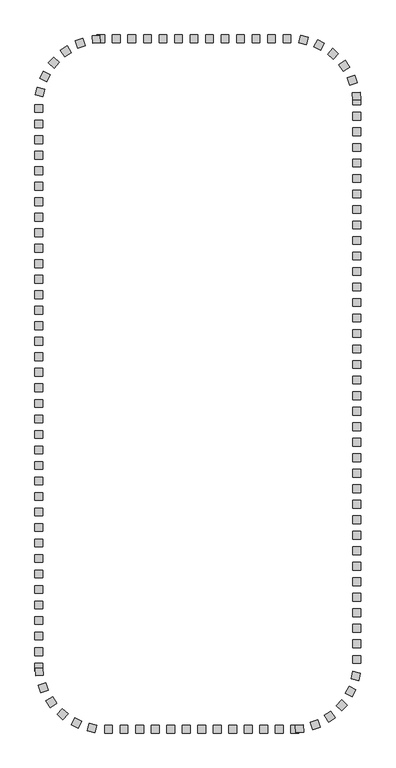
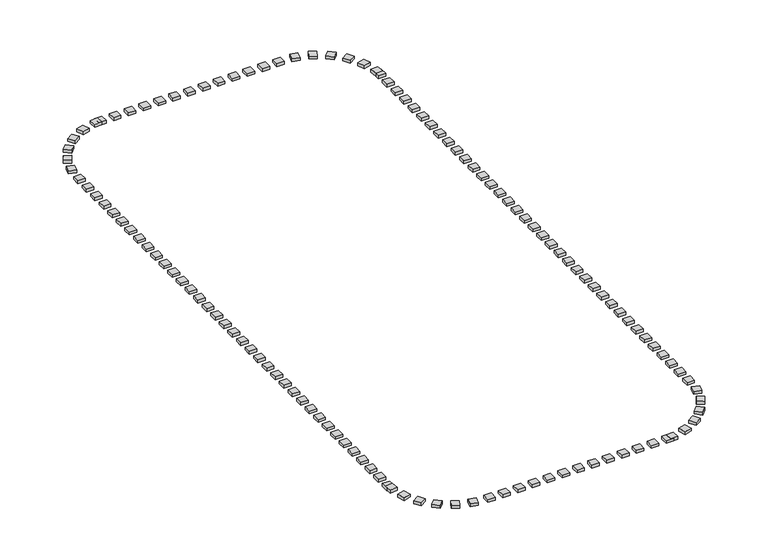
"""IFC4 building model written with IfcOpenShell, lengths in millimetres: railing geometry."""

from ifc_helpers import new_model, si_unit, origin, origin_with_axes, place, context, project, spatial, polyline, outline, extrude, source, transform, mapped, element, save


def railing_ace43579(model_context):
    return source(origin(), model_context, "Body", "SweptSolid", [
        extrude(outline(polyline([(13372.4823698, 2754.6603569), (13372.4823698, 2254.6603569), (12872.4823698, 2254.6603569), (12872.4823698, 2754.6603569), (13372.4823698, 2754.6603569)])), origin_with_axes(), (0.0, 0.0, 1.0), 200.0),
        extrude(outline(polyline([(12372.4823698, 2754.6603569), (12372.4823698, 2254.6603569), (11872.4823698, 2254.6603569), (11872.4823698, 2754.6603569), (12372.4823698, 2754.6603569)])), origin_with_axes(), (0.0, 0.0, 1.0), 200.0),
        extrude(outline(polyline([(11372.4823698, 2754.6603569), (11372.4823698, 2254.6603569), (10872.4823698, 2254.6603569), (10872.4823698, 2754.6603569), (11372.4823698, 2754.6603569)])), origin_with_axes(), (0.0, 0.0, 1.0), 200.0),
        extrude(outline(polyline([(10372.4823698, 2754.6603569), (10372.4823698, 2254.6603569), (9872.4823698, 2254.6603569), (9872.4823698, 2754.6603569), (10372.4823698, 2754.6603569)])), origin_with_axes(), (0.0, 0.0, 1.0), 200.0),
        extrude(outline(polyline([(9372.4823698, 2754.6603569), (9372.4823698, 2254.6603569), (8872.4823698, 2254.6603569), (8872.4823698, 2754.6603569), (9372.4823698, 2754.6603569)])), origin_with_axes(), (0.0, 0.0, 1.0), 200.0),
        extrude(outline(polyline([(8372.4823698, 2754.6603569), (8372.4823698, 2254.6603569), (7872.4823698, 2254.6603569), (7872.4823698, 2754.6603569), (8372.4823698, 2754.6603569)])), origin_with_axes(), (0.0, 0.0, 1.0), 200.0),
        extrude(outline(polyline([(7372.4823698, 2754.6603569), (7372.4823698, 2254.6603569), (6872.4823698, 2254.6603569), (6872.4823698, 2754.6603569), (7372.4823698, 2754.6603569)])), origin_with_axes(), (0.0, 0.0, 1.0), 200.0),
        extrude(outline(polyline([(6372.4823698, 2754.6603569), (6372.4823698, 2254.6603569), (5872.4823698, 2254.6603569), (5872.4823698, 2754.6603569), (6372.4823698, 2754.6603569)])), origin_with_axes(), (0.0, 0.0, 1.0), 200.0),
        extrude(outline(polyline([(5372.4823698, 2754.6603569), (5372.4823698, 2254.6603569), (4872.4823698, 2254.6603569), (4872.4823698, 2754.6603569), (5372.4823698, 2754.6603569)])), origin_with_axes(), (0.0, 0.0, 1.0), 200.0),
        extrude(outline(polyline([(4372.4823698, 2754.6603569), (4372.4823698, 2254.6603569), (3872.4823698, 2254.6603569), (3872.4823698, 2754.6603569), (4372.4823698, 2754.6603569)])), origin_with_axes(), (0.0, 0.0, 1.0), 200.0),
        extrude(outline(polyline([(3372.4823698, 2754.6603569), (3372.4823698, 2254.6603569), (2872.4823698, 2254.6603569), (2872.4823698, 2754.6603569), (3372.4823698, 2754.6603569)])), origin_with_axes(), (0.0, 0.0, 1.0), 200.0),
        extrude(outline(polyline([(2054.1649623, 2743.3877966), (2089.5335632, 2244.6403033), (1590.7860699, 2209.2717025), (1555.417469, 2708.0191958), (2054.1649623, 2743.3877966)])), origin_with_axes(), (0.0, 0.0, 1.0), 200.0),
        extrude(outline(polyline([(953.5317391, 2525.091144), (1111.1929203, 2050.5988343), (636.7006106, 1892.9376531), (479.0394294, 2367.4299628), (953.5317391, 2525.091144)])), origin_with_axes(), (0.0, 0.0, 1.0), 200.0),
        extrude(outline(polyline([(-58.8780066, 2041.2797885), (211.2731464, 1620.5442961), (-209.462346, 1350.3931432), (-479.613499, 1771.1286356), (-58.8780066, 2041.2797885)])), origin_with_axes(), (0.0, 0.0, 1.0), 200.0),
        extrude(outline(polyline([(-920.1175401, 1322.034777), (-554.2731056, 981.215397), (-895.0924857, 615.3709625), (-1260.9369201, 956.1903425), (-920.1175401, 1322.034777)])), origin_with_axes(), (0.0, 0.0, 1.0), 200.0),
        extrude(outline(polyline([(-1576.6391587, 412.0752806), (-1137.8478777, 172.3625113), (-1377.560647, -266.4287697), (-1816.351928, -26.7160004), (-1576.6391587, 412.0752806)])), origin_with_axes(), (0.0, 0.0, 1.0), 200.0),
        extrude(outline(polyline([(-1987.6235278, -632.0218265), (-1503.167317, -755.7238061), (-1626.8692966, -1240.180017), (-2111.3255075, -1116.4780373), (-1987.6235278, -632.0218265)])), origin_with_axes(), (0.0, 0.0, 1.0), 200.0),
        extrude(outline(polyline([(-2127.5176302, -2745.3396431), (-1627.5176302, -2745.3396431), (-1627.5176302, -3245.3396431), (-2127.5176302, -3245.3396431), (-2127.5176302, -2745.3396431)])), origin_with_axes(), (0.0, 0.0, 1.0), 200.0),
        extrude(outline(polyline([(-2127.5176302, -3745.3396431), (-1627.5176302, -3745.3396431), (-1627.5176302, -4245.3396431), (-2127.5176302, -4245.3396431), (-2127.5176302, -3745.3396431)])), origin_with_axes(), (0.0, 0.0, 1.0), 200.0),
        extrude(outline(polyline([(-2127.5176302, -4745.3396431), (-1627.5176302, -4745.3396431), (-1627.5176302, -5245.3396431), (-2127.5176302, -5245.3396431), (-2127.5176302, -4745.3396431)])), origin_with_axes(), (0.0, 0.0, 1.0), 200.0),
        extrude(outline(polyline([(-2127.5176302, -5745.3396431), (-1627.5176302, -5745.3396431), (-1627.5176302, -6245.3396431), (-2127.5176302, -6245.3396431), (-2127.5176302, -5745.3396431)])), origin_with_axes(), (0.0, 0.0, 1.0), 200.0),
        extrude(outline(polyline([(-2127.5176302, -6745.3396431), (-1627.5176302, -6745.3396431), (-1627.5176302, -7245.3396431), (-2127.5176302, -7245.3396431), (-2127.5176302, -6745.3396431)])), origin_with_axes(), (0.0, 0.0, 1.0), 200.0),
        extrude(outline(polyline([(-2127.5176302, -7745.3396431), (-1627.5176302, -7745.3396431), (-1627.5176302, -8245.3396431), (-2127.5176302, -8245.3396431), (-2127.5176302, -7745.3396431)])), origin_with_axes(), (0.0, 0.0, 1.0), 200.0),
        extrude(outline(polyline([(-2127.5176302, -8745.3396431), (-1627.5176302, -8745.3396431), (-1627.5176302, -9245.3396431), (-2127.5176302, -9245.3396431), (-2127.5176302, -8745.3396431)])), origin_with_axes(), (0.0, 0.0, 1.0), 200.0),
        extrude(outline(polyline([(-2127.5176302, -9745.3396431), (-1627.5176302, -9745.3396431), (-1627.5176302, -10245.3396431), (-2127.5176302, -10245.3396431), (-2127.5176302, -9745.3396431)])), origin_with_axes(), (0.0, 0.0, 1.0), 200.0),
        extrude(outline(polyline([(-2127.5176302, -10745.3396431), (-1627.5176302, -10745.3396431), (-1627.5176302, -11245.3396431), (-2127.5176302, -11245.3396431), (-2127.5176302, -10745.3396431)])), origin_with_axes(), (0.0, 0.0, 1.0), 200.0),
        extrude(outline(polyline([(-2127.5176302, -11745.3396431), (-1627.5176302, -11745.3396431), (-1627.5176302, -12245.3396431), (-2127.5176302, -12245.3396431), (-2127.5176302, -11745.3396431)])), origin_with_axes(), (0.0, 0.0, 1.0), 200.0),
        extrude(outline(polyline([(-2127.5176302, -12745.3396431), (-1627.5176302, -12745.3396431), (-1627.5176302, -13245.3396431), (-2127.5176302, -13245.3396431), (-2127.5176302, -12745.3396431)])), origin_with_axes(), (0.0, 0.0, 1.0), 200.0),
        extrude(outline(polyline([(-2127.5176302, -13745.3396431), (-1627.5176302, -13745.3396431), (-1627.5176302, -14245.3396431), (-2127.5176302, -14245.3396431), (-2127.5176302, -13745.3396431)])), origin_with_axes(), (0.0, 0.0, 1.0), 200.0),
        extrude(outline(polyline([(-2127.5176302, -14745.3396431), (-1627.5176302, -14745.3396431), (-1627.5176302, -15245.3396431), (-2127.5176302, -15245.3396431), (-2127.5176302, -14745.3396431)])), origin_with_axes(), (0.0, 0.0, 1.0), 200.0),
        extrude(outline(polyline([(-2127.5176302, -15745.3396431), (-1627.5176302, -15745.3396431), (-1627.5176302, -16245.3396431), (-2127.5176302, -16245.3396431), (-2127.5176302, -15745.3396431)])), origin_with_axes(), (0.0, 0.0, 1.0), 200.0),
        extrude(outline(polyline([(-2127.5176302, -16745.3396431), (-1627.5176302, -16745.3396431), (-1627.5176302, -17245.3396431), (-2127.5176302, -17245.3396431), (-2127.5176302, -16745.3396431)])), origin_with_axes(), (0.0, 0.0, 1.0), 200.0),
        extrude(outline(polyline([(-2127.5176302, -17745.3396431), (-1627.5176302, -17745.3396431), (-1627.5176302, -18245.3396431), (-2127.5176302, -18245.3396431), (-2127.5176302, -17745.3396431)])), origin_with_axes(), (0.0, 0.0, 1.0), 200.0),
        extrude(outline(polyline([(-2127.5176302, -18745.3396431), (-1627.5176302, -18745.3396431), (-1627.5176302, -19245.3396431), (-2127.5176302, -19245.3396431), (-2127.5176302, -18745.3396431)])), origin_with_axes(), (0.0, 0.0, 1.0), 200.0),
        extrude(outline(polyline([(-2127.5176302, -19745.3396431), (-1627.5176302, -19745.3396431), (-1627.5176302, -20245.3396431), (-2127.5176302, -20245.3396431), (-2127.5176302, -19745.3396431)])), origin_with_axes(), (0.0, 0.0, 1.0), 200.0),
        extrude(outline(polyline([(-2127.5176302, -20745.3396431), (-1627.5176302, -20745.3396431), (-1627.5176302, -21245.3396431), (-2127.5176302, -21245.3396431), (-2127.5176302, -20745.3396431)])), origin_with_axes(), (0.0, 0.0, 1.0), 200.0),
        extrude(outline(polyline([(-2127.5176302, -21745.3396431), (-1627.5176302, -21745.3396431), (-1627.5176302, -22245.3396431), (-2127.5176302, -22245.3396431), (-2127.5176302, -21745.3396431)])), origin_with_axes(), (0.0, 0.0, 1.0), 200.0),
        extrude(outline(polyline([(-2127.5176302, -22745.3396431), (-1627.5176302, -22745.3396431), (-1627.5176302, -23245.3396431), (-2127.5176302, -23245.3396431), (-2127.5176302, -22745.3396431)])), origin_with_axes(), (0.0, 0.0, 1.0), 200.0),
        extrude(outline(polyline([(-2127.5176302, -23745.3396431), (-1627.5176302, -23745.3396431), (-1627.5176302, -24245.3396431), (-2127.5176302, -24245.3396431), (-2127.5176302, -23745.3396431)])), origin_with_axes(), (0.0, 0.0, 1.0), 200.0),
        extrude(outline(polyline([(-2127.5176302, -24745.3396431), (-1627.5176302, -24745.3396431), (-1627.5176302, -25245.3396431), (-2127.5176302, -25245.3396431), (-2127.5176302, -24745.3396431)])), origin_with_axes(), (0.0, 0.0, 1.0), 200.0),
        extrude(outline(polyline([(-2127.5176302, -25745.3396431), (-1627.5176302, -25745.3396431), (-1627.5176302, -26245.3396431), (-2127.5176302, -26245.3396431), (-2127.5176302, -25745.3396431)])), origin_with_axes(), (0.0, 0.0, 1.0), 200.0),
        extrude(outline(polyline([(-2127.5176302, -26745.3396431), (-1627.5176302, -26745.3396431), (-1627.5176302, -27245.3396431), (-2127.5176302, -27245.3396431), (-2127.5176302, -26745.3396431)])), origin_with_axes(), (0.0, 0.0, 1.0), 200.0),
        extrude(outline(polyline([(-2127.5176302, -27745.3396431), (-1627.5176302, -27745.3396431), (-1627.5176302, -28245.3396431), (-2127.5176302, -28245.3396431), (-2127.5176302, -27745.3396431)])), origin_with_axes(), (0.0, 0.0, 1.0), 200.0),
        extrude(outline(polyline([(-2127.5176302, -28745.3396431), (-1627.5176302, -28745.3396431), (-1627.5176302, -29245.3396431), (-2127.5176302, -29245.3396431), (-2127.5176302, -28745.3396431)])), origin_with_axes(), (0.0, 0.0, 1.0), 200.0),
        extrude(outline(polyline([(-2127.5176302, -29745.3396431), (-1627.5176302, -29745.3396431), (-1627.5176302, -30245.3396431), (-2127.5176302, -30245.3396431), (-2127.5176302, -29745.3396431)])), origin_with_axes(), (0.0, 0.0, 1.0), 200.0),
        extrude(outline(polyline([(-2127.5176302, -30745.3396431), (-1627.5176302, -30745.3396431), (-1627.5176302, -31245.3396431), (-2127.5176302, -31245.3396431), (-2127.5176302, -30745.3396431)])), origin_with_axes(), (0.0, 0.0, 1.0), 200.0),
        extrude(outline(polyline([(-2127.5176302, -31745.3396431), (-1627.5176302, -31745.3396431), (-1627.5176302, -32245.3396431), (-2127.5176302, -32245.3396431), (-2127.5176302, -31745.3396431)])), origin_with_axes(), (0.0, 0.0, 1.0), 200.0),
        extrude(outline(polyline([(-2127.5176302, -32745.3396431), (-1627.5176302, -32745.3396431), (-1627.5176302, -33245.3396431), (-2127.5176302, -33245.3396431), (-2127.5176302, -32745.3396431)])), origin_with_axes(), (0.0, 0.0, 1.0), 200.0),
        extrude(outline(polyline([(-2127.5176302, -33745.3396431), (-1627.5176302, -33745.3396431), (-1627.5176302, -34245.3396431), (-2127.5176302, -34245.3396431), (-2127.5176302, -33745.3396431)])), origin_with_axes(), (0.0, 0.0, 1.0), 200.0),
        extrude(outline(polyline([(-2127.5176302, -34745.3396431), (-1627.5176302, -34745.3396431), (-1627.5176302, -35245.3396431), (-2127.5176302, -35245.3396431), (-2127.5176302, -34745.3396431)])), origin_with_axes(), (0.0, 0.0, 1.0), 200.0),
        extrude(outline(polyline([(-2127.5176302, -35745.3396431), (-1627.5176302, -35745.3396431), (-1627.5176302, -36245.3396431), (-2127.5176302, -36245.3396431), (-2127.5176302, -35745.3396431)])), origin_with_axes(), (0.0, 0.0, 1.0), 200.0),
        extrude(outline(polyline([(-2127.5176302, -36745.3396431), (-1627.5176302, -36745.3396431), (-1627.5176302, -37245.3396431), (-2127.5176302, -37245.3396431), (-2127.5176302, -36745.3396431)])), origin_with_axes(), (0.0, 0.0, 1.0), 200.0),
        extrude(outline(polyline([(-2116.2450699, -38063.6570506), (-1617.4975766, -38028.2884498), (-1582.1289757, -38527.0359431), (-2080.876469, -38562.4045439), (-2116.2450699, -38063.6570506)])), origin_with_axes(), (0.0, 0.0, 1.0), 200.0),
        extrude(outline(polyline([(-1897.9484173, -39164.2902739), (-1423.4561076, -39006.6290927), (-1265.7949264, -39481.1214024), (-1740.2872361, -39638.7825836), (-1897.9484173, -39164.2902739)])), origin_with_axes(), (0.0, 0.0, 1.0), 200.0),
        extrude(outline(polyline([(-1414.1370618, -40176.7000195), (-993.4015694, -39906.5488666), (-723.2504164, -40327.284359), (-1143.9859089, -40597.4355119), (-1414.1370618, -40176.7000195)])), origin_with_axes(), (0.0, 0.0, 1.0), 200.0),
        extrude(outline(polyline([(-694.8920503, -41037.9395531), (-354.0726702, -40672.0951186), (11.7717642, -41012.9144986), (-329.0476158, -41378.7589331), (-694.8920503, -41037.9395531)])), origin_with_axes(), (0.0, 0.0, 1.0), 200.0),
        extrude(outline(polyline([(215.0674461, -41694.4611716), (454.7802154, -41255.6698907), (893.5714964, -41495.38266), (653.8587271, -41934.1739409), (215.0674461, -41694.4611716)])), origin_with_axes(), (0.0, 0.0, 1.0), 200.0),
        extrude(outline(polyline([(1259.1645532, -42105.4455408), (1382.8665328, -41620.98933), (1867.3227437, -41744.6913096), (1743.6207641, -42229.1475205), (1259.1645532, -42105.4455408)])), origin_with_axes(), (0.0, 0.0, 1.0), 200.0),
        extrude(outline(polyline([(3372.4823698, -42245.3396431), (3372.4823698, -41745.3396431), (3872.4823698, -41745.3396431), (3872.4823698, -42245.3396431), (3372.4823698, -42245.3396431)])), origin_with_axes(), (0.0, 0.0, 1.0), 200.0),
        extrude(outline(polyline([(4372.4823698, -42245.3396431), (4372.4823698, -41745.3396431), (4872.4823698, -41745.3396431), (4872.4823698, -42245.3396431), (4372.4823698, -42245.3396431)])), origin_with_axes(), (0.0, 0.0, 1.0), 200.0),
        extrude(outline(polyline([(5372.4823698, -42245.3396431), (5372.4823698, -41745.3396431), (5872.4823698, -41745.3396431), (5872.4823698, -42245.3396431), (5372.4823698, -42245.3396431)])), origin_with_axes(), (0.0, 0.0, 1.0), 200.0),
        extrude(outline(polyline([(6372.4823698, -42245.3396431), (6372.4823698, -41745.3396431), (6872.4823698, -41745.3396431), (6872.4823698, -42245.3396431), (6372.4823698, -42245.3396431)])), origin_with_axes(), (0.0, 0.0, 1.0), 200.0),
        extrude(outline(polyline([(7372.4823698, -42245.3396431), (7372.4823698, -41745.3396431), (7872.4823698, -41745.3396431), (7872.4823698, -42245.3396431), (7372.4823698, -42245.3396431)])), origin_with_axes(), (0.0, 0.0, 1.0), 200.0),
        extrude(outline(polyline([(8372.4823698, -42245.3396431), (8372.4823698, -41745.3396431), (8872.4823698, -41745.3396431), (8872.4823698, -42245.3396431), (8372.4823698, -42245.3396431)])), origin_with_axes(), (0.0, 0.0, 1.0), 200.0),
        extrude(outline(polyline([(9372.4823698, -42245.3396431), (9372.4823698, -41745.3396431), (9872.4823698, -41745.3396431), (9872.4823698, -42245.3396431), (9372.4823698, -42245.3396431)])), origin_with_axes(), (0.0, 0.0, 1.0), 200.0),
        extrude(outline(polyline([(10372.4823698, -42245.3396431), (10372.4823698, -41745.3396431), (10872.4823698, -41745.3396431), (10872.4823698, -42245.3396431), (10372.4823698, -42245.3396431)])), origin_with_axes(), (0.0, 0.0, 1.0), 200.0),
        extrude(outline(polyline([(11372.4823698, -42245.3396431), (11372.4823698, -41745.3396431), (11872.4823698, -41745.3396431), (11872.4823698, -42245.3396431), (11372.4823698, -42245.3396431)])), origin_with_axes(), (0.0, 0.0, 1.0), 200.0),
        extrude(outline(polyline([(12372.4823698, -42245.3396431), (12372.4823698, -41745.3396431), (12872.4823698, -41745.3396431), (12872.4823698, -42245.3396431), (12372.4823698, -42245.3396431)])), origin_with_axes(), (0.0, 0.0, 1.0), 200.0),
        extrude(outline(polyline([(13372.4823698, -42245.3396431), (13372.4823698, -41745.3396431), (13872.4823698, -41745.3396431), (13872.4823698, -42245.3396431), (13372.4823698, -42245.3396431)])), origin_with_axes(), (0.0, 0.0, 1.0), 200.0),
        extrude(outline(polyline([(14690.7997774, -42234.0670828), (14655.4311765, -41735.3195895), (15154.1786698, -41699.9509887), (15189.5472707, -42198.698482), (14690.7997774, -42234.0670828)])), origin_with_axes(), (0.0, 0.0, 1.0), 200.0),
        extrude(outline(polyline([(15791.4330006, -42015.7704302), (15633.7718194, -41541.2781206), (16108.2641291, -41383.6169394), (16265.9253103, -41858.109249), (15791.4330006, -42015.7704302)])), origin_with_axes(), (0.0, 0.0, 1.0), 200.0),
        extrude(outline(polyline([(16803.8427463, -41531.9590748), (16533.6915933, -41111.2235824), (16954.4270857, -40841.0724294), (17224.5782387, -41261.8079218), (16803.8427463, -41531.9590748)])), origin_with_axes(), (0.0, 0.0, 1.0), 200.0),
        extrude(outline(polyline([(17665.0822798, -40812.7140632), (17299.2378453, -40471.8946832), (17640.0572254, -40106.0502488), (18005.9016598, -40446.8696288), (17665.0822798, -40812.7140632)])), origin_with_axes(), (0.0, 0.0, 1.0), 200.0),
        extrude(outline(polyline([(18321.6038984, -39902.7545668), (17882.8126174, -39663.0417975), (18122.5253867, -39224.2505166), (18561.3166677, -39463.9632859), (18321.6038984, -39902.7545668)])), origin_with_axes(), (0.0, 0.0, 1.0), 200.0),
        extrude(outline(polyline([(18732.5882675, -38858.6574598), (18248.1320567, -38734.9554801), (18371.8340363, -38250.4992693), (18856.2902472, -38374.2012489), (18732.5882675, -38858.6574598)])), origin_with_axes(), (0.0, 0.0, 1.0), 200.0),
        extrude(outline(polyline([(18872.4823698, -36745.3396431), (18372.4823698, -36745.3396431), (18372.4823698, -36245.3396431), (18872.4823698, -36245.3396431), (18872.4823698, -36745.3396431)])), origin_with_axes(), (0.0, 0.0, 1.0), 200.0),
        extrude(outline(polyline([(18872.4823698, -35745.3396431), (18372.4823698, -35745.3396431), (18372.4823698, -35245.3396431), (18872.4823698, -35245.3396431), (18872.4823698, -35745.3396431)])), origin_with_axes(), (0.0, 0.0, 1.0), 200.0),
        extrude(outline(polyline([(18872.4823698, -34745.3396431), (18372.4823698, -34745.3396431), (18372.4823698, -34245.3396431), (18872.4823698, -34245.3396431), (18872.4823698, -34745.3396431)])), origin_with_axes(), (0.0, 0.0, 1.0), 200.0),
        extrude(outline(polyline([(18872.4823698, -33745.3396431), (18372.4823698, -33745.3396431), (18372.4823698, -33245.3396431), (18872.4823698, -33245.3396431), (18872.4823698, -33745.3396431)])), origin_with_axes(), (0.0, 0.0, 1.0), 200.0),
        extrude(outline(polyline([(18872.4823698, -32745.3396431), (18372.4823698, -32745.3396431), (18372.4823698, -32245.3396431), (18872.4823698, -32245.3396431), (18872.4823698, -32745.3396431)])), origin_with_axes(), (0.0, 0.0, 1.0), 200.0),
        extrude(outline(polyline([(18872.4823698, -31745.3396431), (18372.4823698, -31745.3396431), (18372.4823698, -31245.3396431), (18872.4823698, -31245.3396431), (18872.4823698, -31745.3396431)])), origin_with_axes(), (0.0, 0.0, 1.0), 200.0),
        extrude(outline(polyline([(18872.4823698, -30745.3396431), (18372.4823698, -30745.3396431), (18372.4823698, -30245.3396431), (18872.4823698, -30245.3396431), (18872.4823698, -30745.3396431)])), origin_with_axes(), (0.0, 0.0, 1.0), 200.0),
        extrude(outline(polyline([(18872.4823698, -29745.3396431), (18372.4823698, -29745.3396431), (18372.4823698, -29245.3396431), (18872.4823698, -29245.3396431), (18872.4823698, -29745.3396431)])), origin_with_axes(), (0.0, 0.0, 1.0), 200.0),
        extrude(outline(polyline([(18872.4823698, -28745.3396431), (18372.4823698, -28745.3396431), (18372.4823698, -28245.3396431), (18872.4823698, -28245.3396431), (18872.4823698, -28745.3396431)])), origin_with_axes(), (0.0, 0.0, 1.0), 200.0),
        extrude(outline(polyline([(18872.4823698, -27745.3396431), (18372.4823698, -27745.3396431), (18372.4823698, -27245.3396431), (18872.4823698, -27245.3396431), (18872.4823698, -27745.3396431)])), origin_with_axes(), (0.0, 0.0, 1.0), 200.0),
        extrude(outline(polyline([(18872.4823698, -26745.3396431), (18372.4823698, -26745.3396431), (18372.4823698, -26245.3396431), (18872.4823698, -26245.3396431), (18872.4823698, -26745.3396431)])), origin_with_axes(), (0.0, 0.0, 1.0), 200.0),
        extrude(outline(polyline([(18872.4823698, -25745.3396431), (18372.4823698, -25745.3396431), (18372.4823698, -25245.3396431), (18872.4823698, -25245.3396431), (18872.4823698, -25745.3396431)])), origin_with_axes(), (0.0, 0.0, 1.0), 200.0),
        extrude(outline(polyline([(18872.4823698, -24745.3396431), (18372.4823698, -24745.3396431), (18372.4823698, -24245.3396431), (18872.4823698, -24245.3396431), (18872.4823698, -24745.3396431)])), origin_with_axes(), (0.0, 0.0, 1.0), 200.0),
        extrude(outline(polyline([(18872.4823698, -23745.3396431), (18372.4823698, -23745.3396431), (18372.4823698, -23245.3396431), (18872.4823698, -23245.3396431), (18872.4823698, -23745.3396431)])), origin_with_axes(), (0.0, 0.0, 1.0), 200.0),
        extrude(outline(polyline([(18872.4823698, -22745.3396431), (18372.4823698, -22745.3396431), (18372.4823698, -22245.3396431), (18872.4823698, -22245.3396431), (18872.4823698, -22745.3396431)])), origin_with_axes(), (0.0, 0.0, 1.0), 200.0),
        extrude(outline(polyline([(18872.4823698, -21745.3396431), (18372.4823698, -21745.3396431), (18372.4823698, -21245.3396431), (18872.4823698, -21245.3396431), (18872.4823698, -21745.3396431)])), origin_with_axes(), (0.0, 0.0, 1.0), 200.0),
        extrude(outline(polyline([(18872.4823698, -20745.3396431), (18372.4823698, -20745.3396431), (18372.4823698, -20245.3396431), (18872.4823698, -20245.3396431), (18872.4823698, -20745.3396431)])), origin_with_axes(), (0.0, 0.0, 1.0), 200.0),
        extrude(outline(polyline([(18872.4823698, -19745.3396431), (18372.4823698, -19745.3396431), (18372.4823698, -19245.3396431), (18872.4823698, -19245.3396431), (18872.4823698, -19745.3396431)])), origin_with_axes(), (0.0, 0.0, 1.0), 200.0),
        extrude(outline(polyline([(18872.4823698, -18745.3396431), (18372.4823698, -18745.3396431), (18372.4823698, -18245.3396431), (18872.4823698, -18245.3396431), (18872.4823698, -18745.3396431)])), origin_with_axes(), (0.0, 0.0, 1.0), 200.0),
        extrude(outline(polyline([(18872.4823698, -17745.3396431), (18372.4823698, -17745.3396431), (18372.4823698, -17245.3396431), (18872.4823698, -17245.3396431), (18872.4823698, -17745.3396431)])), origin_with_axes(), (0.0, 0.0, 1.0), 200.0),
        extrude(outline(polyline([(18872.4823698, -16745.3396431), (18372.4823698, -16745.3396431), (18372.4823698, -16245.3396431), (18872.4823698, -16245.3396431), (18872.4823698, -16745.3396431)])), origin_with_axes(), (0.0, 0.0, 1.0), 200.0),
        extrude(outline(polyline([(18872.4823698, -15745.3396431), (18372.4823698, -15745.3396431), (18372.4823698, -15245.3396431), (18872.4823698, -15245.3396431), (18872.4823698, -15745.3396431)])), origin_with_axes(), (0.0, 0.0, 1.0), 200.0),
        extrude(outline(polyline([(18872.4823698, -14745.3396431), (18372.4823698, -14745.3396431), (18372.4823698, -14245.3396431), (18872.4823698, -14245.3396431), (18872.4823698, -14745.3396431)])), origin_with_axes(), (0.0, 0.0, 1.0), 200.0),
        extrude(outline(polyline([(18872.4823698, -13745.3396431), (18372.4823698, -13745.3396431), (18372.4823698, -13245.3396431), (18872.4823698, -13245.3396431), (18872.4823698, -13745.3396431)])), origin_with_axes(), (0.0, 0.0, 1.0), 200.0),
        extrude(outline(polyline([(18872.4823698, -12745.3396431), (18372.4823698, -12745.3396431), (18372.4823698, -12245.3396431), (18872.4823698, -12245.3396431), (18872.4823698, -12745.3396431)])), origin_with_axes(), (0.0, 0.0, 1.0), 200.0),
        extrude(outline(polyline([(18872.4823698, -11745.3396431), (18372.4823698, -11745.3396431), (18372.4823698, -11245.3396431), (18872.4823698, -11245.3396431), (18872.4823698, -11745.3396431)])), origin_with_axes(), (0.0, 0.0, 1.0), 200.0),
        extrude(outline(polyline([(18872.4823698, -10745.3396431), (18372.4823698, -10745.3396431), (18372.4823698, -10245.3396431), (18872.4823698, -10245.3396431), (18872.4823698, -10745.3396431)])), origin_with_axes(), (0.0, 0.0, 1.0), 200.0),
        extrude(outline(polyline([(18872.4823698, -9745.3396431), (18372.4823698, -9745.3396431), (18372.4823698, -9245.3396431), (18872.4823698, -9245.3396431), (18872.4823698, -9745.3396431)])), origin_with_axes(), (0.0, 0.0, 1.0), 200.0),
        extrude(outline(polyline([(18872.4823698, -8745.3396431), (18372.4823698, -8745.3396431), (18372.4823698, -8245.3396431), (18872.4823698, -8245.3396431), (18872.4823698, -8745.3396431)])), origin_with_axes(), (0.0, 0.0, 1.0), 200.0),
        extrude(outline(polyline([(18872.4823698, -7745.3396431), (18372.4823698, -7745.3396431), (18372.4823698, -7245.3396431), (18872.4823698, -7245.3396431), (18872.4823698, -7745.3396431)])), origin_with_axes(), (0.0, 0.0, 1.0), 200.0),
        extrude(outline(polyline([(18872.4823698, -6745.3396431), (18372.4823698, -6745.3396431), (18372.4823698, -6245.3396431), (18872.4823698, -6245.3396431), (18872.4823698, -6745.3396431)])), origin_with_axes(), (0.0, 0.0, 1.0), 200.0),
        extrude(outline(polyline([(18872.4823698, -5745.3396431), (18372.4823698, -5745.3396431), (18372.4823698, -5245.3396431), (18872.4823698, -5245.3396431), (18872.4823698, -5745.3396431)])), origin_with_axes(), (0.0, 0.0, 1.0), 200.0),
        extrude(outline(polyline([(18872.4823698, -4745.3396431), (18372.4823698, -4745.3396431), (18372.4823698, -4245.3396431), (18872.4823698, -4245.3396431), (18872.4823698, -4745.3396431)])), origin_with_axes(), (0.0, 0.0, 1.0), 200.0),
        extrude(outline(polyline([(18872.4823698, -3745.3396431), (18372.4823698, -3745.3396431), (18372.4823698, -3245.3396431), (18872.4823698, -3245.3396431), (18872.4823698, -3745.3396431)])), origin_with_axes(), (0.0, 0.0, 1.0), 200.0),
        extrude(outline(polyline([(18872.4823698, -2745.3396431), (18372.4823698, -2745.3396431), (18372.4823698, -2245.3396431), (18872.4823698, -2245.3396431), (18872.4823698, -2745.3396431)])), origin_with_axes(), (0.0, 0.0, 1.0), 200.0),
        extrude(outline(polyline([(18861.2098096, -1427.0222356), (18362.4623163, -1462.3908365), (18327.0937154, -963.6433432), (18825.8412087, -928.2747423), (18861.2098096, -1427.0222356)])), origin_with_axes(), (0.0, 0.0, 1.0), 200.0),
        extrude(outline(polyline([(18642.9131569, -326.3890124), (18168.4208473, -484.0501935), (18010.7596661, -9.5578839), (18485.2519758, 148.1032973), (18642.9131569, -326.3890124)])), origin_with_axes(), (0.0, 0.0, 1.0), 200.0),
        extrude(outline(polyline([(18159.1018015, 686.0207333), (17738.3663091, 415.8695803), (17468.2151561, 836.6050727), (17888.9506486, 1106.7562257), (18159.1018015, 686.0207333)])), origin_with_axes(), (0.0, 0.0, 1.0), 200.0),
        extrude(outline(polyline([(17439.85679, 1547.2602668), (17099.0374099, 1181.4158324), (16733.1929755, 1522.2352124), (17074.0123555, 1888.0796468), (17439.85679, 1547.2602668)])), origin_with_axes(), (0.0, 0.0, 1.0), 200.0),
        extrude(outline(polyline([(16529.8972936, 2203.7818854), (16290.1845243, 1764.9906044), (15851.3932433, 2004.7033737), (16091.1060126, 2443.4946547), (16529.8972936, 2203.7818854)])), origin_with_axes(), (0.0, 0.0, 1.0), 200.0),
        extrude(outline(polyline([(15485.8001865, 2614.7662546), (15362.0982069, 2130.3100437), (14877.641996, 2254.0120233), (15001.3439756, 2738.4682342), (15485.8001865, 2614.7662546)])), origin_with_axes(), (0.0, 0.0, 1.0), 200.0),
        extrude(outline(polyline([(14372.4823698, 2754.6603569), (14372.4823698, 2254.6603569), (13872.4823698, 2254.6603569), (13872.4823698, 2754.6603569), (14372.4823698, 2754.6603569)])), origin_with_axes(), (0.0, 0.0, 1.0), 200.0),
        extrude(outline(polyline([(2372.4823698, 2754.6603569), (2372.4823698, 2254.6603569), (1872.4823698, 2254.6603569), (1872.4823698, 2754.6603569), (2372.4823698, 2754.6603569)])), origin_with_axes(), (0.0, 0.0, 1.0), 200.0),
        extrude(outline(polyline([(-2127.5176302, -1745.3396431), (-1627.5176302, -1745.3396431), (-1627.5176302, -2245.3396431), (-2127.5176302, -2245.3396431), (-2127.5176302, -1745.3396431)])), origin_with_axes(), (0.0, 0.0, 1.0), 200.0),
        extrude(outline(polyline([(-2127.5176302, -37745.3396431), (-1627.5176302, -37745.3396431), (-1627.5176302, -38245.3396431), (-2127.5176302, -38245.3396431), (-2127.5176302, -37745.3396431)])), origin_with_axes(), (0.0, 0.0, 1.0), 200.0),
        extrude(outline(polyline([(2372.4823698, -42245.3396431), (2372.4823698, -41745.3396431), (2872.4823698, -41745.3396431), (2872.4823698, -42245.3396431), (2372.4823698, -42245.3396431)])), origin_with_axes(), (0.0, 0.0, 1.0), 200.0),
        extrude(outline(polyline([(14372.4823698, -42245.3396431), (14372.4823698, -41745.3396431), (14872.4823698, -41745.3396431), (14872.4823698, -42245.3396431), (14372.4823698, -42245.3396431)])), origin_with_axes(), (0.0, 0.0, 1.0), 200.0),
        extrude(outline(polyline([(18872.4823698, -37745.3396431), (18372.4823698, -37745.3396431), (18372.4823698, -37245.3396431), (18872.4823698, -37245.3396431), (18872.4823698, -37745.3396431)])), origin_with_axes(), (0.0, 0.0, 1.0), 200.0),
        extrude(outline(polyline([(18872.4823698, -1745.3396431), (18372.4823698, -1745.3396431), (18372.4823698, -1245.3396431), (18872.4823698, -1245.3396431), (18872.4823698, -1745.3396431)])), origin_with_axes(), (0.0, 0.0, 1.0), 200.0),
    ])


if __name__ == "__main__":
    model = new_model("IFC4")
    model_context = context("Model", 3, world=origin())
    ifc_project = project(units=[si_unit("LENGTHUNIT", "METRE", prefix="MILLI")], contexts=[model_context])
    site = spatial("IfcSite", under=ifc_project)
    building = spatial("IfcBuilding", under=site)
    placement = place(None, origin())
    railing_shape = railing_ace43579(model_context)
    element("IfcRailing", 1, at=placement, inside=building, context=model_context, shape_type="MappedRepresentation", body=[
        mapped(railing_shape, transform((0.0, 0.0, 0.0), x_axis=(1.0, 0.0, 0.0), y_axis=(0.0, 1.0, 0.0), z_axis=(0.0, 0.0, 1.0))),
    ])
    save(model, "model.ifc")
